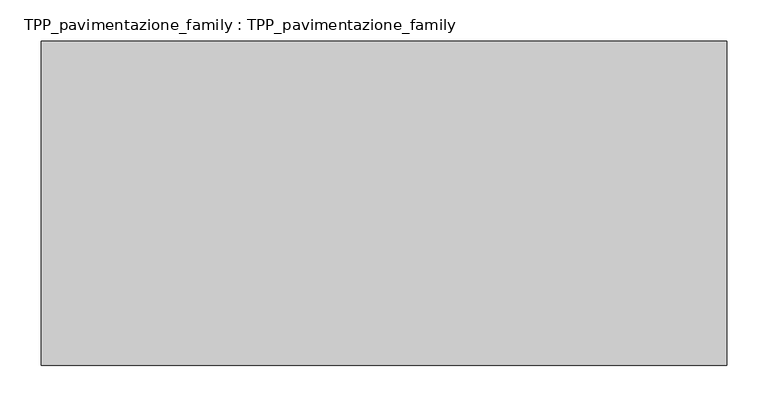
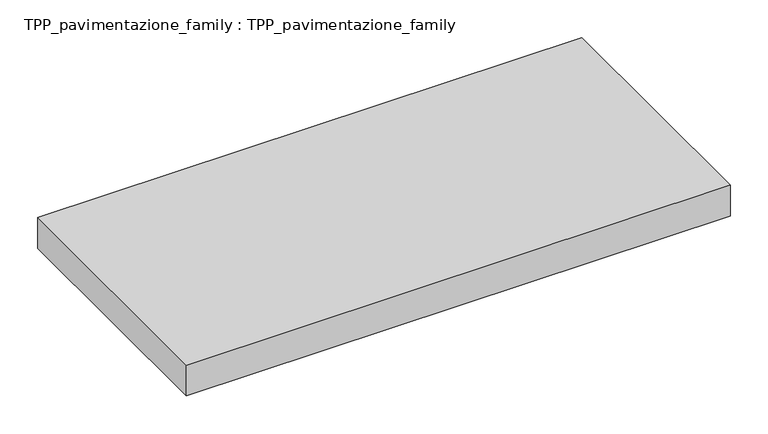
"""IFC4 building model written with IfcOpenShell, lengths in millimetres: proxy geometry, TPP_pavimentazione_family : TPP_pavimentazione_family."""

from ifc_helpers import new_model, si_unit, origin, origin_with_axes, place, context, project, spatial, polyline, outline, extrude, source, transform, mapped, element, save


def tpp_pavimentazione_family_tpp_pavimentazione_family_92bd4585(model_context):
    return source(origin(), model_context, "Body", "SweptSolid", [
        extrude(outline(polyline([(511.8146187, 354.2201026), (511.8146187, -39.8515717), (-320.159893, -39.8515717), (-320.159893, 354.2201026), (511.8146187, 354.2201026)])), origin_with_axes(), (0.0, 0.0, 1.0), 50.0),
    ])


if __name__ == "__main__":
    model = new_model("IFC4")
    model_context = context("Model", 3, world=origin())
    ifc_project = project(units=[si_unit("LENGTHUNIT", "METRE", prefix="MILLI")], contexts=[model_context])
    site = spatial("IfcSite", under=ifc_project)
    building = spatial("IfcBuilding", under=site)
    placement = place(None, origin())
    tpp_pavimentazione_family_tpp_pavimentazione_family_shape = tpp_pavimentazione_family_tpp_pavimentazione_family_92bd4585(model_context)
    element("IfcBuildingElementProxy", 1, Name="TPP_pavimentazione_family : TPP_pavimentazione_family", ObjectType="TPP_pavimentazione_family : TPP_pavimentazione_family", at=placement, inside=building, context=model_context, shape_type="MappedRepresentation", body=[
        mapped(tpp_pavimentazione_family_tpp_pavimentazione_family_shape, transform((0.0, 0.0, 0.0), x_axis=(1.0, 0.0, 0.0), y_axis=(0.0, 1.0, 0.0), z_axis=(0.0, 0.0, 1.0))),
    ])
    save(model, "model.ifc")
